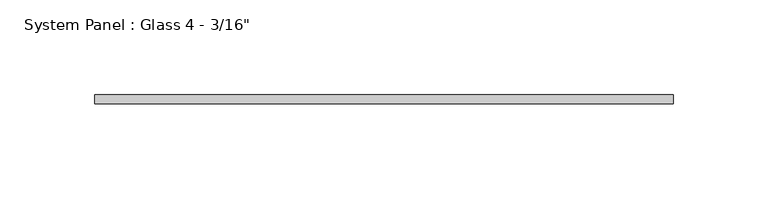
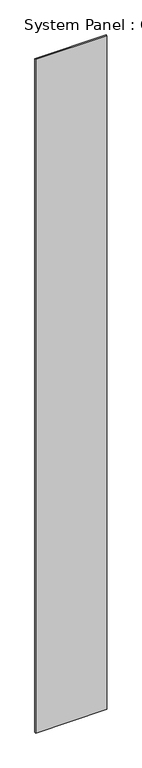
"""IFC4 building model written with IfcOpenShell, lengths in millimetres: plate geometry."""

from ifc_helpers import new_model, si_unit, origin, origin_with_axes, place, context, project, spatial, polyline, outline, extrude, source, transform, mapped, element, save


def plate_5fd557a0(model_context):
    return source(origin(), model_context, "Body", "SweptSolid", [
        extrude(outline(polyline([(152.4, 0.79375), (-152.4, 0.79375), (-152.4, 5.55625), (152.4, 5.55625), (152.4, 0.79375)])), origin_with_axes(), (0.0, 0.0, 1.0), 3048.0),
    ])


if __name__ == "__main__":
    model = new_model("IFC4")
    model_context = context("Model", 3, world=origin())
    ifc_project = project(units=[si_unit("LENGTHUNIT", "METRE", prefix="MILLI")], contexts=[model_context])
    site = spatial("IfcSite", under=ifc_project)
    building = spatial("IfcBuilding", under=site)
    placement = place(None, origin())
    plate_shape = plate_5fd557a0(model_context)
    element("IfcPlate", 1, ObjectType="System Panel : Glass 4 - 3/16\"", at=placement, inside=building, context=model_context, shape_type="MappedRepresentation", body=[
        mapped(plate_shape, transform((0.0, 0.0, 0.0), x_axis=(1.0, 0.0, 0.0), y_axis=(0.0, 1.0, 0.0), z_axis=(0.0, 0.0, 1.0))),
    ])
    save(model, "model.ifc")
